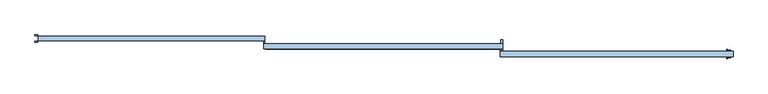
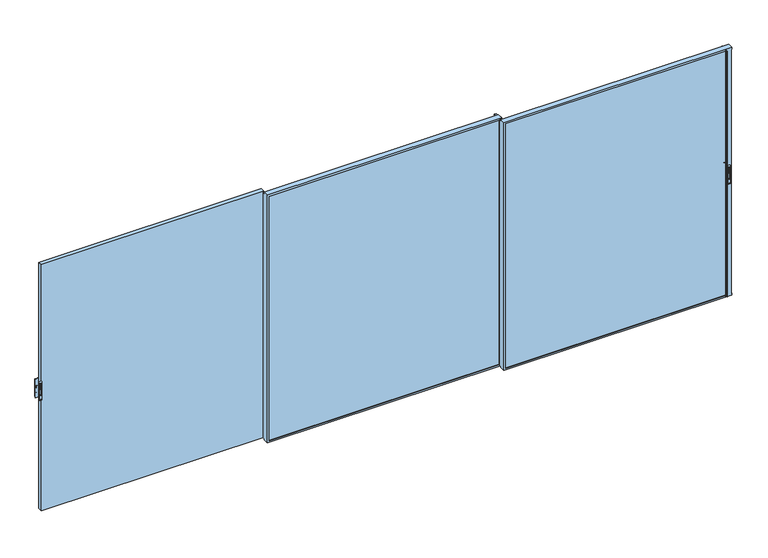
"""IFC4 building model written with IfcOpenShell, lengths in millimetres: window geometry."""

import ifcopenshell
import ifcopenshell.guid

model = None  # the IFC model being written
_history = None  # IfcOwnerHistory: only IFC2X3 demands one
_inside = {}  # id of a spatial element -> (the spatial element, [elements in it])
_under = {}  # id of a project, library or spatial element -> (it, [spatial elements below it])
_declared = {}  # id of a project -> (the project, [libraries it declares])
_typed = {}  # id of a type object -> (the type object, [elements of that type])
_made_of = {}  # id of a material, layer set ... -> (it, [elements and type objects made of it])


def new_model(schema):
    """Start an empty IFC model of exactly this schema.

    Asked for "IFC4X3", IfcOpenShell would pick the latest addendum, in which some entities
    have other attributes; the version numbers below select the first issue.
    IFC2X3 requires an IfcOwnerHistory on every rooted entity: one is made here for all.
    """
    global model, _history
    if schema == "IFC4X3":
        model = ifcopenshell.file(schema_version=(4, 3, 0, 0))
    else:
        model = ifcopenshell.file(schema=schema)
    _inside.clear()
    _under.clear()
    _declared.clear()
    _typed.clear()
    _made_of.clear()
    _history = None
    if model.schema == "IFC2X3":
        org = make("IfcOrganization", Name="unknown")
        user = make(
            "IfcPersonAndOrganization",
            ThePerson=make("IfcPerson", FamilyName="unknown"),
            TheOrganization=org,
        )
        app = make(
            "IfcApplication",
            ApplicationDeveloper=org,
            Version="unknown",
            ApplicationFullName="unknown",
            ApplicationIdentifier="unknown",
        )
        _history = make(
            "IfcOwnerHistory",
            OwningUser=user,
            OwningApplication=app,
            ChangeAction="ADDED",
            CreationDate=0,
        )
    return model


def make(cls, **values):
    """One entity of the class cls with the attributes given. An attribute that is None is left unset."""
    return model.create_entity(
        cls, **{name: value for name, value in values.items() if value is not None}
    )


def rooted(cls, **values):
    """An entity with a GlobalId (a new one), such as an element, a storey or a relation."""
    return make(cls, GlobalId=ifcopenshell.guid.new(), OwnerHistory=_history, **values)


def si_unit(unit_type, name, prefix=None):
    """IfcSIUnit, for example si_unit("LENGTHUNIT", "METRE", prefix="MILLI")."""
    return make("IfcSIUnit", UnitType=unit_type, Prefix=prefix, Name=name)


def assignment(units):
    """IfcUnitAssignment: the units of a project."""
    return None if units is None else make("IfcUnitAssignment", Units=units)


def point(xyz):
    """IfcCartesianPoint."""
    return None if xyz is None else make("IfcCartesianPoint", Coordinates=xyz)


def direction(xyz):
    """IfcDirection."""
    return None if xyz is None else make("IfcDirection", DirectionRatios=xyz)


def frame(location, z_axis=None, x_axis=None):
    """IfcAxis2Placement3D, a coordinate frame: its origin and axes. An axis left out is left unset."""
    return make(
        "IfcAxis2Placement3D",
        Location=point(location),
        Axis=direction(z_axis),
        RefDirection=direction(x_axis),
    )


def frame_2d(location, x_axis=None):
    """IfcAxis2Placement2D, a coordinate frame in the plane: its origin and x axis."""
    return make(
        "IfcAxis2Placement2D", Location=point(location), RefDirection=direction(x_axis)
    )


def origin():
    """The frame at (0, 0, 0) with its axes left unset."""
    return frame((0.0, 0.0, 0.0))


def place(relative_to, where):
    """IfcLocalPlacement: puts the frame where relative to a parent placement (None: the world)."""
    return make(
        "IfcLocalPlacement", PlacementRelTo=relative_to, RelativePlacement=where
    )


def context(
    kind, dimensions, precision=None, world=None, true_north=None, identifier=None
):
    """IfcGeometricRepresentationContext, for example the 3D "Model" context."""
    return make(
        "IfcGeometricRepresentationContext",
        ContextIdentifier=identifier,
        ContextType=kind,
        CoordinateSpaceDimension=dimensions,
        Precision=precision,
        WorldCoordinateSystem=world,
        TrueNorth=true_north,
    )


def project(units=None, contexts=None):
    """IfcProject with its units and contexts."""
    return rooted(
        "IfcProject",
        Name="project",
        RepresentationContexts=contexts,
        UnitsInContext=assignment(units),
    )


def spatial(cls, under=None, at=None, **own):
    """A site, building, storey or space (cls), placed at a placement, below another one or the project."""
    s = rooted(cls, ObjectPlacement=at, **own)
    if under is not None:
        _under.setdefault(under.id(), (under, []))[1].append(s)
    return s


def polyline(points):
    """IfcPolyline through the points."""
    return make("IfcPolyline", Points=[point(p) for p in points])


def circle_curve(where, radius):
    """IfcCircle in the frame where."""
    return make("IfcCircle", Position=where, Radius=radius)


def trimmed(basis, trim1, trim2, sense, master):
    """IfcTrimmedCurve: the piece of a basis curve between two trims."""
    return make(
        "IfcTrimmedCurve",
        BasisCurve=basis,
        Trim1=trim1,
        Trim2=trim2,
        SenseAgreement=sense,
        MasterRepresentation=master,
    )


def segment(curve, same_sense, transition):
    """IfcCompositeCurveSegment."""
    return make(
        "IfcCompositeCurveSegment",
        Transition=transition,
        SameSense=same_sense,
        ParentCurve=curve,
    )


def composite_curve(segments, self_intersect=None):
    """IfcCompositeCurve: segments joined end to end."""
    return make("IfcCompositeCurve", Segments=segments, SelfIntersect=self_intersect)


def outline(outer, holes=None, kind="AREA"):
    """IfcArbitraryClosedProfileDef: a profile drawn as a closed curve; with holes, ...WithVoids."""
    if holes is None:
        return make("IfcArbitraryClosedProfileDef", ProfileType=kind, OuterCurve=outer)
    return make(
        "IfcArbitraryProfileDefWithVoids",
        ProfileType=kind,
        OuterCurve=outer,
        InnerCurves=holes,
    )


def extrude(swept, where, along, depth):
    """IfcExtrudedAreaSolid: the profile swept, set in the frame where, extruded along a direction by depth."""
    return make(
        "IfcExtrudedAreaSolid",
        SweptArea=swept,
        Position=where,
        ExtrudedDirection=direction(along),
        Depth=depth,
    )


def faces_of(points, faces, orient=None, outer=None):
    """IfcFace entities. A face is a list of loops; a loop is a list of indices into points, from 0.

    orient and outer hold one flag for each loop. By default every Orientation is true, the
    first loop of a face is its IfcFaceOuterBound and the others are IfcFaceBound.
    """
    made = []
    for i, loops in enumerate(faces):
        bounds = []
        for j, loop in enumerate(loops):
            is_outer = j == 0 if outer is None else outer[i][j]
            bounds.append(
                make(
                    "IfcFaceOuterBound" if is_outer else "IfcFaceBound",
                    Bound=make("IfcPolyLoop", Polygon=[points[k] for k in loop]),
                    Orientation=True if orient is None else orient[i][j],
                )
            )
        made.append(make("IfcFace", Bounds=bounds))
    return made


def faceted_brep(points, faces, orient=None, outer=None, voids=None):
    """IfcFacetedBrep: a solid bounded by flat faces; with voids (closed shells), ...WithVoids."""
    shared = [point(p) for p in points]
    hull = make("IfcClosedShell", CfsFaces=faces_of(shared, faces, orient, outer))
    if voids is None:
        return make("IfcFacetedBrep", Outer=hull)
    return make(
        "IfcFacetedBrepWithVoids",
        Outer=hull,
        Voids=[
            make(cls, CfsFaces=faces_of(shared, fs, o, b)) for cls, fs, o, b in voids
        ],
    )


def shape(context_of_items, identifier, shape_type, items):
    """IfcShapeRepresentation: the items that make up one representation, for example the "Body"."""
    return make(
        "IfcShapeRepresentation",
        ContextOfItems=context_of_items,
        RepresentationIdentifier=identifier,
        RepresentationType=shape_type,
        Items=items,
    )


def source(mapping_origin, context_of_items, identifier, shape_type, items):
    """IfcRepresentationMap: a shape defined once, which mapped items show again and again."""
    return make(
        "IfcRepresentationMap",
        MappingOrigin=mapping_origin,
        MappedRepresentation=shape(context_of_items, identifier, shape_type, items),
    )


def transform(
    local_origin,
    x_axis=None,
    y_axis=None,
    z_axis=None,
    scale=None,
    scale2=None,
    scale3=None,
    uniform=True,
):
    """IfcCartesianTransformationOperator3D, or its non-uniform kind. x_axis, y_axis, z_axis: its Axis1, 2, 3."""
    if uniform:
        return make(
            "IfcCartesianTransformationOperator3D",
            Axis1=direction(x_axis),
            Axis2=direction(y_axis),
            LocalOrigin=point(local_origin),
            Scale=scale,
            Axis3=direction(z_axis),
        )
    return make(
        "IfcCartesianTransformationOperator3DnonUniform",
        Axis1=direction(x_axis),
        Axis2=direction(y_axis),
        LocalOrigin=point(local_origin),
        Scale=scale,
        Axis3=direction(z_axis),
        Scale2=scale2,
        Scale3=scale3,
    )


def mapped(mapping_source, mapping_target):
    """IfcMappedItem: shows the shape of a source again, moved by a transform."""
    return make(
        "IfcMappedItem", MappingSource=mapping_source, MappingTarget=mapping_target
    )


def made_of(thing, what):
    """Note that an element or type object is made of a material, layer set ...; save() writes the relation."""
    if what is not None:
        _made_of.setdefault(what.id(), (what, []))[1].append(thing)
    return thing


def element(
    cls,
    number,
    at=None,
    inside=None,
    cuts=None,
    type_object=None,
    material=None,
    context=None,
    identifier="Body",
    shape_type=None,
    held_by="IfcProductDefinitionShape",
    body=None,
    shapes=None,
    **own,
):
    """One element of the class cls, such as IfcWall. Its Tag is "e" and its number.

    at: its placement. inside: the storey or other place that contains it. cuts: it is an
    opening in that element (IfcRelVoidsElement). A single representation is given by context,
    identifier, shape_type and body (its items); several are given by shapes. held_by: the class
    of the entity that holds the representations. save() writes the other relations.
    """
    e = rooted(cls, Tag="e%d" % number, ObjectPlacement=at, **own)
    if body is not None:
        shapes = [shape(context, identifier, shape_type, body)]
    if shapes is not None:
        e.Representation = make(held_by, Representations=shapes)
    if inside is not None:
        _inside.setdefault(inside.id(), (inside, []))[1].append(e)
    if cuts is not None:
        rooted(
            "IfcRelVoidsElement", RelatingBuildingElement=cuts, RelatedOpeningElement=e
        )
    if type_object is not None:
        _typed.setdefault(type_object.id(), (type_object, []))[1].append(e)
    return made_of(e, material)


def aggregate(whole, parts):
    """IfcRelAggregates: a whole, such as a stair, and the parts it consists of."""
    return rooted("IfcRelAggregates", RelatingObject=whole, RelatedObjects=parts)


def save(model, path):
    """Write the relations noted so far, then the file.

    IfcRelAggregates (storeys below a building ...), IfcRelContainedInSpatialStructure (elements
    in a storey), IfcRelDefinesByType, IfcRelAssociatesMaterial and IfcRelDeclares: one each for
    every whole, place, type object, material and project.
    """
    for whole, parts in _under.values():
        aggregate(whole, parts)
    for where, things in _inside.values():
        rooted(
            "IfcRelContainedInSpatialStructure",
            RelatedElements=things,
            RelatingStructure=where,
        )
    for kind, things in _typed.values():
        rooted("IfcRelDefinesByType", RelatedObjects=things, RelatingType=kind)
    for what, things in _made_of.values():
        rooted("IfcRelAssociatesMaterial", RelatedObjects=things, RelatingMaterial=what)
    for by, libraries in _declared.values():
        rooted("IfcRelDeclares", RelatingContext=by, RelatedDefinitions=libraries)
    model.write(path)


def plane_surface(at):
    """IfcPlane: the flat surface through the origin of the frame at, square to its z axis."""
    return make("IfcPlane", Position=at)


def cylinder_surface(at, radius):
    """IfcCylindricalSurface: all points at the distance radius from the z axis of the frame at."""
    return make("IfcCylindricalSurface", Position=at, Radius=radius)


def revolved_surface(curve, axis_point, axis_direction):
    """IfcSurfaceOfRevolution: the curve turned about the line through axis_point along axis_direction."""
    return make(
        "IfcSurfaceOfRevolution",
        SweptCurve=make("IfcArbitraryOpenProfileDef", ProfileType="CURVE", Curve=curve),
        AxisPosition=make("IfcAxis1Placement", Location=point(axis_point), Axis=direction(axis_direction)),
    )


def advanced_brep(points, edges, surfaces, faces):
    """IfcAdvancedBrep: a solid bounded by faces that lie on surfaces and meet in shared edges.

    An edge is (start, end): straight between two places in points (the first is 0);
    or (start, end, curve); or (start, end, curve, False) where it runs against its curve.
    A face is (place in surfaces, loops), or (place, loops, False) where it looks against
    its surface's normal. A loop lists edges by number (the first is 1), with a minus sign
    where the edge is run from its end to its start. The first loop is the outer one.
    """
    corners = [point(p) for p in points]
    vertices = [make("IfcVertexPoint", VertexGeometry=c) for c in corners]
    made = []
    for start, end, *more in edges:
        made.append(
            make(
                "IfcEdgeCurve",
                EdgeStart=vertices[start],
                EdgeEnd=vertices[end],
                EdgeGeometry=more[0] if more else make("IfcPolyline", Points=[corners[start], corners[end]]),
                SameSense=more[1] if len(more) > 1 else True,
            )
        )
    hull = []
    for where, loops, *sense in faces:
        bounds = []
        for j, loop in enumerate(loops):
            ring = [make("IfcOrientedEdge", EdgeElement=made[abs(k) - 1], Orientation=k > 0) for k in loop]
            bounds.append(
                make(
                    "IfcFaceOuterBound" if j == 0 else "IfcFaceBound",
                    Bound=make("IfcEdgeLoop", EdgeList=ring),
                    Orientation=True,
                )
            )
        hull.append(make("IfcAdvancedFace", Bounds=bounds, FaceSurface=surfaces[where], SameSense=sense[0] if sense else True))
    return make("IfcAdvancedBrep", Outer=make("IfcClosedShell", CfsFaces=hull))


def window_45840592(model_context):
    return source(origin(), model_context, "Body", "SolidModel", [
        extrude(outline(composite_curve([segment(polyline([(-155.5, 2475.2189223), (-155.5, 2539.6559659)]), True, "CONTINUOUS"), segment(trimmed(circle_curve(frame_2d((-144.9370436, 2539.6559659)), 10.5629564), [point((-155.5, 2539.6559659))], [point((-144.9370436, 2550.2189223))], False, "CARTESIAN"), True, "CONTINUOUS"), segment(polyline([(-144.9370436, 2550.2189223), (-149.7185218, 2475.2189223), (-155.5, 2475.2189223)]), True, "CONTINUOUS")], self_intersect=False)), frame((6073.6495372, 0.0, 0.0), z_axis=(1.0, 0.0, 0.0), x_axis=(0.0, 1.0, 0.0)), (0.0, 0.0, 1.0), 14.8235768),
        advanced_brep(
        [(6099.0571491, -155.5, 2407.5), (6099.0571491, -143.5, 2390.0), (6099.0571491, -143.5, 2650.0), (6099.0571491, -155.5, 2632.5), (6063.1034585, -155.5, 2407.5), (6063.1034585, -155.5, 2632.5), (6063.1034585, -143.5, 2650.0), (6063.1034585, -143.5, 2390.0), (6072.2660736, -155.5, 2616.667345), (6089.8565776, -155.5, 2616.667345), (6089.8565776, -155.5, 2460.7687336), (6072.2660736, -155.5, 2460.7687336), (6089.8565776, -144.9370436, 2616.667345), (6072.2660736, -144.9370436, 2616.667345), (6072.2660736, -144.9370436, 2460.7687336), (6089.8565776, -144.9370436, 2460.7687336)],
        [
            (0, 1, circle_curve(frame((6099.0571491, -136.7395833, 2407.5), z_axis=(1.0, 0.0, 0.0), x_axis=(0.0, 0.0, -1.0)), 18.7604167)),
            (1, 2),
            (2, 3, circle_curve(frame((6099.0571491, -136.7395833, 2632.5), z_axis=(1.0, 0.0, 0.0), x_axis=(0.0, 0.0, -1.0)), 18.7604167)),
            (3, 0),
            (4, 5),
            (5, 6, circle_curve(frame((6063.1034585, -136.7395833, 2632.5), z_axis=(-1.0, 0.0, 0.0), x_axis=(0.0, 0.0, -1.0)), 18.7604167)),
            (6, 7),
            (7, 4, circle_curve(frame((6063.1034585, -136.7395833, 2407.5), z_axis=(-1.0, 0.0, 0.0), x_axis=(0.0, 0.0, -1.0)), 18.7604167)),
            (1, 7),
            (6, 2),
            (3, 5),
            (4, 0),
            (8, 9),
            (9, 10),
            (10, 11),
            (11, 8),
            (12, 13),
            (13, 14),
            (14, 15),
            (15, 12),
            (12, 9),
            (8, 13),
            (11, 14),
            (10, 15),
        ],
        [
            plane_surface(frame((6099.0571491, -136.7395833, 2388.7395833), z_axis=(1.0, 0.0, 0.0), x_axis=(0.0, 1.0, 0.0))),
            plane_surface(frame((6063.1034585, -136.7395833, 2388.7395833), z_axis=(-1.0, 0.0, 0.0), x_axis=(0.0, -1.0, 0.0))),
            plane_surface(frame((6099.0571491, -143.5, 2390.0), z_axis=(0.0, 1.0, 0.0), x_axis=(-1.0, 0.0, 0.0))),
            plane_surface(frame((6099.0571491, -155.5, 2632.5), z_axis=(0.0, -1.0, 0.0), x_axis=(-1.0, 0.0, 0.0))),
            plane_surface(frame((6072.2660736, -144.9370436, 2616.667345), z_axis=(0.0, -1.0, 0.0), x_axis=(1.0, 0.0, 0.0))),
            plane_surface(frame((6089.8565776, -155.5, 2616.667345), z_axis=(0.0, 0.0, -1.0), x_axis=(0.0, 1.0, 0.0))),
            plane_surface(frame((6072.2660736, -155.5, 2616.667345), z_axis=(1.0, 0.0, 0.0), x_axis=(0.0, 1.0, 0.0))),
            plane_surface(frame((6072.2660736, -155.5, 2460.7687336), z_axis=(0.0, 0.0, 1.0), x_axis=(0.0, 1.0, 0.0))),
            plane_surface(frame((6089.8565776, -155.5, 2460.7687336), z_axis=(-1.0, 0.0, 0.0), x_axis=(0.0, 1.0, 0.0))),
            cylinder_surface(frame((6063.1034585, -136.7395833, 2407.5), z_axis=(1.0, 0.0, 0.0), x_axis=(0.0, 0.0, -1.0)), 18.7604167),
            cylinder_surface(frame((6063.1034585, -136.7395833, 2632.5), z_axis=(1.0, 0.0, 0.0), x_axis=(0.0, 0.0, -1.0)), 18.7604167),
        ],
        [
            (0, [[1, 2, 3, 4]]),
            (1, [[5, 6, 7, 8]]),
            (2, [[-2, 9, -7, 10]]),
            (3, [[-4, 11, -5, 12], [13, 14, 15, 16]]),
            (4, [[17, 18, 19, 20]]),
            (5, [[-17, 21, -13, 22]]),
            (6, [[-18, -22, -16, 23]]),
            (7, [[-19, -23, -15, 24]]),
            (8, [[-20, -24, -14, -21]]),
            (9, [[-1, -12, -8, -9]]),
            (10, [[-3, -10, -6, -11]]),
        ],
    ),
        extrude(outline(composite_curve([segment(polyline([(-62.5, 2475.2189223), (-68.2814782, 2475.2189223), (-73.0629564, 2550.2189223)]), True, "CONTINUOUS"), segment(trimmed(circle_curve(frame_2d((-73.0629564, 2539.6559659)), 10.5629564), [point((-73.0629564, 2550.2189223))], [point((-62.5, 2539.6559659))], False, "CARTESIAN"), True, "CONTINUOUS"), segment(polyline([(-62.5, 2539.6559659), (-62.5, 2475.2189223)]), True, "CONTINUOUS")], self_intersect=False)), frame((6073.6874936, 0.0, 0.0), z_axis=(1.0, 0.0, 0.0), x_axis=(0.0, 1.0, 0.0)), (0.0, 0.0, 1.0), 14.8235768),
        advanced_brep(
        [(6063.1034585, -62.5, 2407.5), (6063.1034585, -74.5, 2390.0), (6063.1034585, -74.5, 2650.0), (6063.1034585, -62.5, 2632.5), (6099.0571491, -62.5, 2407.5), (6099.0571491, -62.5, 2632.5), (6099.0571491, -74.5, 2650.0), (6099.0571491, -74.5, 2390.0), (6089.894534, -62.5, 2616.667345), (6072.30403, -62.5, 2616.667345), (6072.30403, -62.5, 2460.7687336), (6089.894534, -62.5, 2460.7687336), (6072.30403, -73.0629564, 2616.667345), (6089.894534, -73.0629564, 2616.667345), (6089.894534, -73.0629564, 2460.7687336), (6072.30403, -73.0629564, 2460.7687336)],
        [
            (0, 1, circle_curve(frame((6063.1034585, -81.2604167, 2407.5), z_axis=(-1.0, 0.0, 0.0), x_axis=(0.0, 0.0, -1.0)), 18.7604167)),
            (1, 2),
            (2, 3, circle_curve(frame((6063.1034585, -81.2604167, 2632.5), z_axis=(-1.0, 0.0, 0.0), x_axis=(0.0, 0.0, -1.0)), 18.7604167)),
            (3, 0),
            (4, 5),
            (5, 6, circle_curve(frame((6099.0571491, -81.2604167, 2632.5), z_axis=(1.0, 0.0, 0.0), x_axis=(0.0, 0.0, -1.0)), 18.7604167)),
            (6, 7),
            (7, 4, circle_curve(frame((6099.0571491, -81.2604167, 2407.5), z_axis=(1.0, 0.0, 0.0), x_axis=(0.0, 0.0, -1.0)), 18.7604167)),
            (1, 7),
            (6, 2),
            (3, 5),
            (4, 0),
            (8, 9),
            (9, 10),
            (10, 11),
            (11, 8),
            (12, 13),
            (13, 14),
            (14, 15),
            (15, 12),
            (12, 9),
            (8, 13),
            (11, 14),
            (10, 15),
        ],
        [
            plane_surface(frame((6063.1034585, -81.2604167, 2388.7395833), z_axis=(-1.0, 0.0, 0.0), x_axis=(0.0, -1.0, 0.0))),
            plane_surface(frame((6099.0571491, -81.2604167, 2388.7395833), z_axis=(1.0, 0.0, 0.0), x_axis=(0.0, 1.0, 0.0))),
            plane_surface(frame((6063.1034585, -74.5, 2390.0), z_axis=(0.0, -1.0, 0.0), x_axis=(1.0, 0.0, 0.0))),
            plane_surface(frame((6063.1034585, -62.5, 2632.5), z_axis=(0.0, 1.0, 0.0), x_axis=(1.0, 0.0, 0.0))),
            plane_surface(frame((6089.894534, -73.0629564, 2616.667345), z_axis=(0.0, 1.0, 0.0), x_axis=(-1.0, 0.0, 0.0))),
            plane_surface(frame((6072.30403, -62.5, 2616.667345), z_axis=(0.0, 0.0, -1.0), x_axis=(0.0, -1.0, 0.0))),
            plane_surface(frame((6089.894534, -62.5, 2616.667345), z_axis=(-1.0, 0.0, 0.0), x_axis=(0.0, -1.0, 0.0))),
            plane_surface(frame((6089.894534, -62.5, 2460.7687336), z_axis=(0.0, 0.0, 1.0), x_axis=(0.0, -1.0, 0.0))),
            plane_surface(frame((6072.30403, -62.5, 2460.7687336), z_axis=(1.0, 0.0, 0.0), x_axis=(0.0, -1.0, 0.0))),
            cylinder_surface(frame((6099.0571491, -81.2604167, 2407.5), z_axis=(-1.0, 0.0, 0.0), x_axis=(0.0, 0.0, -1.0)), 18.7604167),
            cylinder_surface(frame((6099.0571491, -81.2604167, 2632.5), z_axis=(-1.0, 0.0, 0.0), x_axis=(0.0, 0.0, -1.0)), 18.7604167),
        ],
        [
            (0, [[1, 2, 3, 4]]),
            (1, [[5, 6, 7, 8]]),
            (2, [[-2, 9, -7, 10]]),
            (3, [[-4, 11, -5, 12], [13, 14, 15, 16]]),
            (4, [[17, 18, 19, 20]]),
            (5, [[-17, 21, -13, 22]]),
            (6, [[-18, -22, -16, 23]]),
            (7, [[-19, -23, -15, 24]]),
            (8, [[-20, -24, -14, -21]]),
            (9, [[-1, -12, -8, -9]]),
            (10, [[-3, -10, -6, -11]]),
        ],
    ),
        extrude(outline(composite_curve([segment(polyline([(40.5, 2475.2189223), (40.5, 2539.6559659)]), True, "CONTINUOUS"), segment(trimmed(circle_curve(frame_2d((51.0629564, 2539.6559659)), 10.5629564), [point((40.5, 2539.6559659))], [point((51.0629564, 2550.2189223))], False, "CARTESIAN"), True, "CONTINUOUS"), segment(polyline([(51.0629564, 2550.2189223), (46.2814782, 2475.2189223), (40.5, 2475.2189223)]), True, "CONTINUOUS")], self_intersect=False)), frame((-2768.5110704, 0.0, 0.0), z_axis=(1.0, 0.0, 0.0), x_axis=(0.0, 1.0, 0.0)), (0.0, 0.0, 1.0), 14.8235768),
        advanced_brep(
        [(-2743.1034585, 40.5, 2407.5), (-2743.1034585, 52.5, 2390.0), (-2743.1034585, 52.5, 2650.0), (-2743.1034585, 40.5, 2632.5), (-2779.0571491, 40.5, 2407.5), (-2779.0571491, 40.5, 2632.5), (-2779.0571491, 52.5, 2650.0), (-2779.0571491, 52.5, 2390.0), (-2769.894534, 40.5, 2616.667345), (-2752.30403, 40.5, 2616.667345), (-2752.30403, 40.5, 2460.7687336), (-2769.894534, 40.5, 2460.7687336), (-2752.30403, 51.0629564, 2616.667345), (-2769.894534, 51.0629564, 2616.667345), (-2769.894534, 51.0629564, 2460.7687336), (-2752.30403, 51.0629564, 2460.7687336)],
        [
            (0, 1, circle_curve(frame((-2743.1034585, 59.2604167, 2407.5), z_axis=(1.0, 0.0, 0.0), x_axis=(0.0, 0.0, -1.0)), 18.7604167)),
            (1, 2),
            (2, 3, circle_curve(frame((-2743.1034585, 59.2604167, 2632.5), z_axis=(1.0, 0.0, 0.0), x_axis=(0.0, 0.0, -1.0)), 18.7604167)),
            (3, 0),
            (4, 5),
            (5, 6, circle_curve(frame((-2779.0571491, 59.2604167, 2632.5), z_axis=(-1.0, 0.0, 0.0), x_axis=(0.0, 0.0, -1.0)), 18.7604167)),
            (6, 7),
            (7, 4, circle_curve(frame((-2779.0571491, 59.2604167, 2407.5), z_axis=(-1.0, 0.0, 0.0), x_axis=(0.0, 0.0, -1.0)), 18.7604167)),
            (1, 7),
            (6, 2),
            (3, 5),
            (4, 0),
            (8, 9),
            (9, 10),
            (10, 11),
            (11, 8),
            (12, 13),
            (13, 14),
            (14, 15),
            (15, 12),
            (12, 9),
            (8, 13),
            (11, 14),
            (10, 15),
        ],
        [
            plane_surface(frame((-2743.1034585, 59.2604167, 2388.7395833), z_axis=(1.0, 0.0, 0.0), x_axis=(0.0, 1.0, 0.0))),
            plane_surface(frame((-2779.0571491, 59.2604167, 2388.7395833), z_axis=(-1.0, 0.0, 0.0), x_axis=(0.0, -1.0, 0.0))),
            plane_surface(frame((-2743.1034585, 52.5, 2390.0), z_axis=(0.0, 1.0, 0.0), x_axis=(-1.0, 0.0, 0.0))),
            plane_surface(frame((-2743.1034585, 40.5, 2632.5), z_axis=(0.0, -1.0, 0.0), x_axis=(-1.0, 0.0, 0.0))),
            plane_surface(frame((-2769.894534, 51.0629564, 2616.667345), z_axis=(0.0, -1.0, 0.0), x_axis=(1.0, 0.0, 0.0))),
            plane_surface(frame((-2752.30403, 40.5, 2616.667345), z_axis=(0.0, 0.0, -1.0), x_axis=(0.0, 1.0, 0.0))),
            plane_surface(frame((-2769.894534, 40.5, 2616.667345), z_axis=(1.0, 0.0, 0.0), x_axis=(0.0, 1.0, 0.0))),
            plane_surface(frame((-2769.894534, 40.5, 2460.7687336), z_axis=(0.0, 0.0, 1.0), x_axis=(0.0, 1.0, 0.0))),
            plane_surface(frame((-2752.30403, 40.5, 2460.7687336), z_axis=(-1.0, 0.0, 0.0), x_axis=(0.0, 1.0, 0.0))),
            cylinder_surface(frame((-2779.0571491, 59.2604167, 2407.5), z_axis=(1.0, 0.0, 0.0), x_axis=(0.0, 0.0, -1.0)), 18.7604167),
            cylinder_surface(frame((-2779.0571491, 59.2604167, 2632.5), z_axis=(1.0, 0.0, 0.0), x_axis=(0.0, 0.0, -1.0)), 18.7604167),
        ],
        [
            (0, [[1, 2, 3, 4]]),
            (1, [[5, 6, 7, 8]]),
            (2, [[-2, 9, -7, 10]]),
            (3, [[-4, 11, -5, 12], [13, 14, 15, 16]]),
            (4, [[17, 18, 19, 20]]),
            (5, [[-17, 21, -13, 22]]),
            (6, [[-18, -22, -16, 23]]),
            (7, [[-19, -23, -15, 24]]),
            (8, [[-20, -24, -14, -21]]),
            (9, [[-1, -12, -8, -9]]),
            (10, [[-3, -10, -6, -11]]),
        ],
    ),
        extrude(outline(composite_curve([segment(polyline([(133.5, 2475.2189223), (127.7185218, 2475.2189223), (122.9370436, 2550.2189223)]), True, "CONTINUOUS"), segment(trimmed(circle_curve(frame_2d((122.9370436, 2539.6559659)), 10.5629564), [point((122.9370436, 2550.2189223))], [point((133.5, 2539.6559659))], False, "CARTESIAN"), True, "CONTINUOUS"), segment(polyline([(133.5, 2539.6559659), (133.5, 2475.2189223)]), True, "CONTINUOUS")], self_intersect=False)), frame((-2768.473114, 0.0, 0.0), z_axis=(1.0, 0.0, 0.0), x_axis=(0.0, 1.0, 0.0)), (0.0, 0.0, 1.0), 14.8235768),
        advanced_brep(
        [(-2779.0571491, 133.5, 2407.5), (-2779.0571491, 121.5, 2390.0), (-2779.0571491, 121.5, 2650.0), (-2779.0571491, 133.5, 2632.5), (-2743.1034585, 133.5, 2407.5), (-2743.1034585, 133.5, 2632.5), (-2743.1034585, 121.5, 2650.0), (-2743.1034585, 121.5, 2390.0), (-2752.2660736, 133.5, 2616.667345), (-2769.8565776, 133.5, 2616.667345), (-2769.8565776, 133.5, 2460.7687336), (-2752.2660736, 133.5, 2460.7687336), (-2769.8565776, 122.9370436, 2616.667345), (-2752.2660736, 122.9370436, 2616.667345), (-2752.2660736, 122.9370436, 2460.7687336), (-2769.8565776, 122.9370436, 2460.7687336)],
        [
            (0, 1, circle_curve(frame((-2779.0571491, 114.7395833, 2407.5), z_axis=(-1.0, 0.0, 0.0), x_axis=(0.0, 0.0, -1.0)), 18.7604167)),
            (1, 2),
            (2, 3, circle_curve(frame((-2779.0571491, 114.7395833, 2632.5), z_axis=(-1.0, 0.0, 0.0), x_axis=(0.0, 0.0, -1.0)), 18.7604167)),
            (3, 0),
            (4, 5),
            (5, 6, circle_curve(frame((-2743.1034585, 114.7395833, 2632.5), z_axis=(1.0, 0.0, 0.0), x_axis=(0.0, 0.0, -1.0)), 18.7604167)),
            (6, 7),
            (7, 4, circle_curve(frame((-2743.1034585, 114.7395833, 2407.5), z_axis=(1.0, 0.0, 0.0), x_axis=(0.0, 0.0, -1.0)), 18.7604167)),
            (1, 7),
            (6, 2),
            (3, 5),
            (4, 0),
            (8, 9),
            (9, 10),
            (10, 11),
            (11, 8),
            (12, 13),
            (13, 14),
            (14, 15),
            (15, 12),
            (12, 9),
            (8, 13),
            (11, 14),
            (10, 15),
        ],
        [
            plane_surface(frame((-2779.0571491, 114.7395833, 2388.7395833), z_axis=(-1.0, 0.0, 0.0), x_axis=(0.0, -1.0, 0.0))),
            plane_surface(frame((-2743.1034585, 114.7395833, 2388.7395833), z_axis=(1.0, 0.0, 0.0), x_axis=(0.0, 1.0, 0.0))),
            plane_surface(frame((-2779.0571491, 121.5, 2390.0), z_axis=(0.0, -1.0, 0.0), x_axis=(1.0, 0.0, 0.0))),
            plane_surface(frame((-2779.0571491, 133.5, 2632.5), z_axis=(0.0, 1.0, 0.0), x_axis=(1.0, 0.0, 0.0))),
            plane_surface(frame((-2752.2660736, 122.9370436, 2616.667345), z_axis=(0.0, 1.0, 0.0), x_axis=(-1.0, 0.0, 0.0))),
            plane_surface(frame((-2769.8565776, 133.5, 2616.667345), z_axis=(0.0, 0.0, -1.0), x_axis=(0.0, -1.0, 0.0))),
            plane_surface(frame((-2752.2660736, 133.5, 2616.667345), z_axis=(-1.0, 0.0, 0.0), x_axis=(0.0, -1.0, 0.0))),
            plane_surface(frame((-2752.2660736, 133.5, 2460.7687336), z_axis=(0.0, 0.0, 1.0), x_axis=(0.0, -1.0, 0.0))),
            plane_surface(frame((-2769.8565776, 133.5, 2460.7687336), z_axis=(1.0, 0.0, 0.0), x_axis=(0.0, -1.0, 0.0))),
            cylinder_surface(frame((-2743.1034585, 114.7395833, 2407.5), z_axis=(-1.0, 0.0, 0.0), x_axis=(0.0, 0.0, -1.0)), 18.7604167),
            cylinder_surface(frame((-2743.1034585, 114.7395833, 2632.5), z_axis=(-1.0, 0.0, 0.0), x_axis=(0.0, 0.0, -1.0)), 18.7604167),
        ],
        [
            (0, [[1, 2, 3, 4]]),
            (1, [[5, 6, 7, 8]]),
            (2, [[-2, 9, -7, 10]]),
            (3, [[-4, 11, -5, 12], [13, 14, 15, 16]]),
            (4, [[17, 18, 19, 20]]),
            (5, [[-17, 21, -13, 22]]),
            (6, [[-18, -22, -16, 23]]),
            (7, [[-19, -23, -15, 24]]),
            (8, [[-20, -24, -14, -21]]),
            (9, [[-1, -12, -8, -9]]),
            (10, [[-3, -10, -6, -11]]),
        ],
    ),
        extrude(outline(polyline([(-2738.5, 114.0), (153.0, 114.0), (153.0, 60.0), (-2738.5, 60.0), (-2738.5, 114.0)])), frame((0.0, 0.0, 857.0), z_axis=(0.0, 0.0, 1.0), x_axis=(1.0, 0.0, 0.0)), (0.0, 0.0, 1.0), 3386.0),
        extrude(outline(polyline([(153.0, 16.0), (3173.0, 16.0), (3173.0, -38.0), (153.0, -38.0), (153.0, 16.0)])), frame((0.0, 0.0, 857.0), z_axis=(0.0, 0.0, 1.0), x_axis=(1.0, 0.0, 0.0)), (0.0, 0.0, 1.0), 3386.0),
        extrude(outline(polyline([(6058.5, -136.0), (3173.0, -136.0), (3173.0, -82.0), (6058.5, -82.0), (6058.5, -136.0)])), frame((0.0, 0.0, 857.0), z_axis=(0.0, 0.0, 1.0), x_axis=(1.0, 0.0, 0.0)), (0.0, 0.0, 1.0), 3386.0),
        advanced_brep(
        [(3160.0, -74.5, 845.5), (3160.0, -143.5, 845.5), (3160.0, -143.5, 4258.0), (3160.0, -74.5, 4258.0), (3160.0, -74.5, 4243.0), (3160.0, -48.6969017, 4243.0), (3160.0, -48.6969017, 857.0), (3160.0, -74.5, 857.0), (6127.0, -74.5, 845.5), (6127.0, -143.5, 845.5), (6127.0, -143.5, 869.0), (6115.5, -143.5, 869.0), (6115.5, -143.5, 4231.5), (6127.0, -143.5, 4231.5), (6127.0, -143.5, 4258.0), (3185.0, -143.5, 869.0), (3185.0, -143.5, 4231.5), (6044.5, -143.5, 4231.5), (6044.5, -143.5, 869.0), (6046.4810829, -143.5, 4239.9999325), (6051.8626434, -143.5, 4239.9999325), (6051.8626434, -143.5, 860.0000675), (6046.4810829, -143.5, 860.0000675), (3171.6, -48.6969017, 4243.0), (3171.6, -48.6969017, 857.0), (3171.6, -74.5, 857.0), (6127.0, -74.5, 869.0), (3171.6, -74.5, 869.0), (6044.5, -74.5, 869.0), (6044.5, -74.5, 4231.5), (3171.6, -74.5, 4231.5), (3171.6, -74.5, 4243.0), (6127.0, -74.5, 4258.0), (6127.0, -74.5, 4231.5), (6115.5, -74.5, 4231.5), (6115.5, -74.5, 869.0), (6051.8626434, -74.5, 4239.9999325), (6046.4810829, -74.5, 4239.9999325), (6046.4810829, -74.5, 860.0000675), (6051.8626434, -74.5, 860.0000675), (6127.0, -82.2, 869.0), (6127.0, -82.2, 860.0000675), (6127.0, -136.0, 860.0000675), (6127.0, -136.0, 869.0), (6115.5, -82.2, 869.0), (6115.5, -82.2, 860.0000675), (6058.4810829, -82.2, 869.0), (3186.0, -82.2, 869.0), (3186.0, -82.2, 4231.5), (6058.4810829, -82.2, 4231.5), (6058.4810829, -82.2, 4239.9999325), (3168.0, -82.2, 4239.9999325), (3168.0, -82.2, 860.0000675), (6058.4810829, -82.2, 860.0000675), (6127.0, -82.2, 4231.5), (6127.0, -82.2, 4239.9999325), (6115.5, -82.2, 4239.9999325), (6115.5, -82.2, 4231.5), (6115.5, -136.0, 860.0000675), (3168.0, -136.0, 860.0000675), (6058.4810829, -136.0, 860.0000675), (6115.5, -136.0, 869.0), (3168.0, -136.0, 869.0), (6044.5, -136.0, 869.0), (6044.5, -136.0, 4239.9999325), (6058.4810829, -136.0, 4239.9999325), (3185.0, -136.2, 869.0), (3168.0, -136.2, 869.0), (3186.0, -74.7, 869.0), (6058.4810829, -82.0, 869.0), (6044.5, -82.0, 869.0), (3171.6, -74.7, 869.0), (6115.5, -136.2, 4239.9999325), (6115.5, -136.2, 4231.5), (3186.0, -74.7, 4231.5), (6058.4810829, -82.0, 4231.5), (6044.5, -82.0, 4231.5), (3171.6, -74.7, 4231.5), (6044.6121686, -67.9823214, 4239.9999325), (6044.6121686, -67.9823214, 860.0000675), (6044.6121686, -65.425501, 860.0000675), (6049.2647392, -50.2076283, 860.0000675), (6050.221044, -49.5, 860.0000675), (6052.9810829, -49.5, 860.0000675), (6053.4558651, -50.1567861, 860.0000675), (6047.7207139, -65.5669635, 860.0000675), (6047.6075139, -67.5444659, 860.0000675), (6048.9788583, -72.3269121, 860.0000675), (6048.9788583, -145.6730879, 860.0000675), (6047.6075139, -150.4555341, 860.0000675), (6047.7207139, -152.4330365, 860.0000675), (6053.4558651, -167.8432139, 860.0000675), (6052.9810829, -168.5, 860.0000675), (6050.221044, -168.5, 860.0000675), (6049.2647392, -167.7923717, 860.0000675), (6044.6121686, -152.574499, 860.0000675), (6044.6121686, -150.0176786, 860.0000675), (6048.9788583, -72.3269121, 4239.9999325), (3185.0, -136.2, 4231.5), (6044.5, -136.2, 4231.5), (6044.5, -136.2, 4239.9999325), (6048.9788583, -145.6730879, 4239.9999325), (6044.6121686, -150.0176786, 4239.9999325), (3168.0, -136.2, 4239.9999325), (6127.0, -136.2, 4239.9999325), (6127.0, -136.2, 4231.5), (6047.6075139, -150.4555341, 4239.9999325), (6047.7207139, -152.4330365, 4239.9999325), (6053.4558651, -167.8432139, 4239.9999325), (6052.9810829, -168.5, 4239.9999325), (6050.221044, -168.5, 4239.9999325), (6049.2647392, -167.7923717, 4239.9999325), (6044.6121686, -152.574499, 4239.9999325), (6044.6121686, -65.425501, 4239.9999325), (6049.2647392, -50.2076283, 4239.9999325), (6050.221044, -49.5, 4239.9999325), (6052.9810829, -49.5, 4239.9999325), (6053.4558651, -50.1567861, 4239.9999325), (6047.7207139, -65.5669635, 4239.9999325), (6047.6075139, -67.5444659, 4239.9999325)],
        [
            (0, 1),
            (1, 2),
            (2, 3),
            (3, 4),
            (4, 5),
            (5, 6),
            (6, 7),
            (7, 0),
            (0, 8),
            (8, 9),
            (9, 1),
            (9, 10),
            (10, 11),
            (11, 12),
            (12, 13),
            (13, 14),
            (14, 2),
            (15, 16),
            (16, 17),
            (17, 18),
            (18, 15),
            (19, 20),
            (20, 21),
            (21, 22),
            (22, 19),
            (5, 23),
            (23, 24),
            (24, 6),
            (24, 25),
            (25, 7),
            (26, 8),
            (25, 27),
            (27, 28),
            (28, 29),
            (29, 30),
            (30, 31),
            (31, 4),
            (3, 32),
            (32, 33),
            (33, 34),
            (34, 35),
            (35, 26),
            (36, 37),
            (37, 38),
            (38, 39),
            (39, 36),
            (40, 41),
            (41, 42),
            (42, 43),
            (43, 10),
            (26, 40),
            (40, 44),
            (44, 45),
            (45, 41),
            (46, 47),
            (47, 48),
            (48, 49),
            (49, 50),
            (50, 51),
            (51, 52),
            (52, 53),
            (53, 46),
            (54, 55),
            (55, 56),
            (56, 57),
            (57, 54),
            (45, 58),
            (58, 42),
            (52, 59),
            (59, 60),
            (60, 53),
            (58, 61),
            (61, 43),
            (59, 62),
            (62, 63),
            (63, 64),
            (64, 65),
            (65, 60),
            (61, 11),
            (66, 15),
            (18, 63),
            (62, 67),
            (67, 66),
            (35, 44),
            (68, 47),
            (46, 69),
            (69, 70),
            (70, 28),
            (27, 71),
            (71, 68),
            (34, 57),
            (56, 72),
            (72, 73),
            (73, 12),
            (68, 74),
            (74, 48),
            (65, 50),
            (49, 75),
            (75, 69),
            (75, 76),
            (76, 70),
            (76, 29),
            (23, 31),
            (30, 77),
            (77, 71),
            (77, 74),
            (37, 78),
            (78, 79),
            (79, 38),
            (79, 80, circle_curve(frame((6049.0705149, -66.7039112, 860.0000675), z_axis=(0.0, 0.0, -1.0), x_axis=(0.0, -1.0, 0.0)), 4.638015)),
            (80, 81),
            (81, 82, circle_curve(frame((6050.221044, -50.5, 860.0000675), z_axis=(0.0, 0.0, -1.0), x_axis=(0.0, -1.0, 0.0)), 1.0)),
            (82, 83),
            (83, 84, circle_curve(frame((6052.9810829, -50.0, 860.0000675), z_axis=(0.0, 0.0, -1.0), x_axis=(0.0, -1.0, 0.0)), 0.5)),
            (84, 85, circle_curve(frame((5844.2879244, 18.9162025, 860.0000675), z_axis=(0.0, 0.0, -1.0), x_axis=(0.0, -1.0, 0.0)), 220.2777909)),
            (85, 86, circle_curve(frame((6050.491299, -66.7175538, 860.0000675), z_axis=(0.0, 0.0, 1.0), x_axis=(0.0, -1.0, 0.0)), 3.0)),
            (86, 87),
            (87, 39, circle_curve(frame((6051.8626434, -71.5, 860.0000675), z_axis=(0.0, 0.0, 1.0), x_axis=(0.0, -1.0, 0.0)), 3.0)),
            (21, 88, circle_curve(frame((6051.8626434, -146.5, 860.0000675), z_axis=(0.0, 0.0, 1.0), x_axis=(0.0, -1.0, 0.0)), 3.0)),
            (88, 89),
            (89, 90, circle_curve(frame((6050.491299, -151.2824462, 860.0000675), z_axis=(0.0, 0.0, 1.0), x_axis=(0.0, -1.0, 0.0)), 3.0)),
            (90, 91, circle_curve(frame((5844.2879244, -236.9162025, 860.0000675), z_axis=(0.0, 0.0, -1.0), x_axis=(0.0, -1.0, 0.0)), 220.2777909)),
            (91, 92, circle_curve(frame((6052.9810829, -168.0, 860.0000675), z_axis=(0.0, 0.0, -1.0), x_axis=(0.0, -1.0, 0.0)), 0.5)),
            (92, 93),
            (93, 94, circle_curve(frame((6050.221044, -167.5, 860.0000675), z_axis=(0.0, 0.0, -1.0), x_axis=(0.0, -1.0, 0.0)), 1.0)),
            (94, 95),
            (95, 96, circle_curve(frame((6049.0705149, -151.2960888, 860.0000675), z_axis=(0.0, 0.0, -1.0), x_axis=(0.0, -1.0, 0.0)), 4.638015)),
            (96, 22),
            (97, 36, circle_curve(frame((6051.8626434, -71.5, 4239.9999325), z_axis=(0.0, 0.0, 1.0), x_axis=(0.0, -1.0, 0.0)), 3.0)),
            (87, 97),
            (66, 98),
            (98, 16),
            (17, 99),
            (99, 100),
            (100, 64),
            (20, 101, circle_curve(frame((6051.8626434, -146.5, 4239.9999325), z_axis=(0.0, 0.0, 1.0), x_axis=(0.0, -1.0, 0.0)), 3.0)),
            (101, 88),
            (102, 19),
            (96, 102),
            (103, 67),
            (51, 103),
            (103, 100),
            (99, 98),
            (104, 105),
            (105, 73),
            (72, 104),
            (101, 106),
            (106, 89),
            (106, 107, circle_curve(frame((6050.491299, -151.2824462, 4239.9999325), z_axis=(0.0, 0.0, 1.0), x_axis=(0.0, -1.0, 0.0)), 3.0)),
            (107, 90),
            (107, 108, circle_curve(frame((5844.2879244, -236.9162025, 4239.9999325), z_axis=(0.0, 0.0, -1.0), x_axis=(0.0, -1.0, 0.0)), 220.2777909)),
            (108, 91),
            (108, 109, circle_curve(frame((6052.9810829, -168.0, 4239.9999325), z_axis=(0.0, 0.0, -1.0), x_axis=(0.0, -1.0, 0.0)), 0.5)),
            (109, 92),
            (109, 110),
            (110, 93),
            (110, 111, circle_curve(frame((6050.221044, -167.5, 4239.9999325), z_axis=(0.0, 0.0, -1.0), x_axis=(0.0, -1.0, 0.0)), 1.0)),
            (111, 94),
            (111, 112),
            (112, 95),
            (112, 102, circle_curve(frame((6049.0705149, -151.2960888, 4239.9999325), z_axis=(0.0, 0.0, -1.0), x_axis=(0.0, -1.0, 0.0)), 4.638015)),
            (78, 113, circle_curve(frame((6049.0705149, -66.7039112, 4239.9999325), z_axis=(0.0, 0.0, -1.0), x_axis=(0.0, -1.0, 0.0)), 4.638015)),
            (113, 80),
            (113, 114),
            (114, 81),
            (114, 115, circle_curve(frame((6050.221044, -50.5, 4239.9999325), z_axis=(0.0, 0.0, -1.0), x_axis=(0.0, -1.0, 0.0)), 1.0)),
            (115, 82),
            (115, 116),
            (116, 83),
            (116, 117, circle_curve(frame((6052.9810829, -50.0, 4239.9999325), z_axis=(0.0, 0.0, -1.0), x_axis=(0.0, -1.0, 0.0)), 0.5)),
            (117, 84),
            (117, 118, circle_curve(frame((5844.2879244, 18.9162025, 4239.9999325), z_axis=(0.0, 0.0, -1.0), x_axis=(0.0, -1.0, 0.0)), 220.2777909)),
            (118, 85),
            (118, 119, circle_curve(frame((6050.491299, -66.7175538, 4239.9999325), z_axis=(0.0, 0.0, 1.0), x_axis=(0.0, -1.0, 0.0)), 3.0)),
            (119, 86),
            (119, 97),
            (14, 32),
            (33, 54),
            (13, 105),
            (104, 55),
        ],
        [
            plane_surface(frame((3160.0, -74.5, 869.0), z_axis=(-1.0, 0.0, 0.0), x_axis=(0.0, 1.0, 0.0))),
            plane_surface(frame((3160.0, -74.5, 845.5), z_axis=(0.0, 0.0, -1.0), x_axis=(1.0, 0.0, 0.0))),
            plane_surface(frame((3160.0, -143.5, 845.5), z_axis=(0.0, -1.0, 0.0), x_axis=(1.0, 0.0, 0.0))),
            plane_surface(frame((3171.6, -48.6969017, 4243.0), z_axis=(0.0, 1.0, 0.0), x_axis=(0.0, 0.0, -1.0))),
            plane_surface(frame((3160.0, -143.5, 857.0), z_axis=(0.0, 0.0, -1.0), x_axis=(0.0, 1.0, 0.0))),
            plane_surface(frame((3160.0, -74.5, 869.0), z_axis=(0.0, 1.0, 0.0), x_axis=(1.0, 0.0, 0.0))),
            plane_surface(frame((6127.0, -74.5, 869.0), z_axis=(1.0, 0.0, 0.0), x_axis=(0.0, -1.0, 0.0))),
            plane_surface(frame((3160.0, -82.2, 860.0000675), z_axis=(0.0, -1.0, 0.0), x_axis=(1.0, 0.0, 0.0))),
            plane_surface(frame((3160.0, -136.0, 860.0000675), z_axis=(0.0, 0.0, 1.0), x_axis=(1.0, 0.0, 0.0))),
            plane_surface(frame((3160.0, -136.0, 869.0), z_axis=(0.0, 1.0, 0.0), x_axis=(1.0, 0.0, 0.0))),
            plane_surface(frame((3160.0, -143.5, 869.0), z_axis=(0.0, 0.0, 1.0), x_axis=(1.0, 0.0, 0.0))),
            plane_surface(frame((3160.0, -82.2, 869.0), z_axis=(0.0, 0.0, 1.0), x_axis=(1.0, 0.0, 0.0))),
            plane_surface(frame((6115.5, -143.5, 4239.9999325), z_axis=(1.0, 0.0, 0.0), x_axis=(0.0, 0.0, -1.0))),
            plane_surface(frame((3186.0, -82.2, 4243.0), z_axis=(1.0, 0.0, 0.0), x_axis=(0.0, 0.0, -1.0))),
            plane_surface(frame((6058.4810829, -82.0, 4239.9999325), z_axis=(-1.0, 0.0, 0.0), x_axis=(0.0, 0.0, -1.0))),
            plane_surface(frame((6044.5, -82.0, 4239.9999325), z_axis=(0.0, -1.0, 0.0), x_axis=(0.0, 0.0, -1.0))),
            plane_surface(frame((6044.5, -74.5, 4239.9999325), z_axis=(-1.0, 0.0, 0.0), x_axis=(0.0, 0.0, -1.0))),
            plane_surface(frame((3171.6, -74.7, 4243.0), z_axis=(1.0, 0.0, 0.0), x_axis=(0.0, 0.0, -1.0))),
            plane_surface(frame((3186.0, -74.7, 4243.0), z_axis=(0.0, 1.0, 0.0), x_axis=(0.0, 0.0, -1.0))),
            plane_surface(frame((6044.6121686, -67.9823214, 4239.9999325), z_axis=(-0.9612616959381606, -0.27563735581755144, 0.0), x_axis=(0.0, 0.0, -1.0))),
            plane_surface(frame((6044.5, 100.0, 860.0000675), z_axis=(0.0, 0.0, -1.0), x_axis=(0.0, -1.0, 0.0))),
            revolved_surface(polyline([(6051.8626434, -74.5, 860.0000675000001), (6051.8626434, -74.5, 4239.9999325)]), (6051.8626434, -71.5, 4239.9999325), (0.0, 0.0, -1.0)),
            plane_surface(frame((3185.0, -143.5, 4243.0), z_axis=(1.0, 0.0, 0.0), x_axis=(0.0, 0.0, -1.0))),
            plane_surface(frame((6044.5, -136.0, 4239.9999325), z_axis=(-1.0, 0.0, 0.0), x_axis=(0.0, 0.0, -1.0))),
            revolved_surface(polyline([(6051.8626434, -149.5, 860.0000675000001), (6051.8626434, -149.5, 4239.9999325)]), (6051.8626434, -146.5, 4239.9999325), (0.0, 0.0, -1.0)),
            plane_surface(frame((6046.4810829, -143.5, 4239.9999325), z_axis=(-0.9612616959394766, 0.2756373558129617, 0.0), x_axis=(0.0, 0.0, -1.0))),
            plane_surface(frame((3168.0, -136.2, 4243.0), z_axis=(1.0, 0.0, 0.0), x_axis=(0.0, 0.0, -1.0))),
            plane_surface(frame((3185.0, -136.2, 4243.0), z_axis=(0.0, 1.0, 0.0), x_axis=(0.0, 0.0, -1.0))),
            plane_surface(frame((6047.6075139, -150.4555341, 4239.9999325), z_axis=(0.9612616959476021, -0.2756373557846248, 0.0), x_axis=(0.0, 0.0, -1.0))),
            revolved_surface(polyline([(6050.491299, -154.2824462, 860.0000675000001), (6050.491299, -154.2824462, 4239.9999325)]), (6050.491299, -151.2824462, 4239.9999325), (0.0, 0.0, -1.0)),
            cylinder_surface(frame((5844.2879244, -236.9162025, 4239.9999325), z_axis=(0.0, 0.0, 1.0), x_axis=(0.0, -1.0, 0.0)), 220.2777909),
            cylinder_surface(frame((6052.9810829, -168.0, 4239.9999325), z_axis=(0.0, 0.0, 1.0), x_axis=(0.0, -1.0, 0.0)), 0.5),
            plane_surface(frame((6050.221044, -168.5, 4239.9999325), z_axis=(0.0, -1.0, 0.0), x_axis=(0.0, 0.0, -1.0))),
            cylinder_surface(frame((6050.221044, -167.5, 4239.9999325), z_axis=(0.0, 0.0, 1.0), x_axis=(0.0, -1.0, 0.0)), 1.0),
            plane_surface(frame((6044.6121686, -152.574499, 4239.9999325), z_axis=(-0.9563047559641739, -0.2923717047190133, 0.0), x_axis=(0.0, 0.0, -1.0))),
            cylinder_surface(frame((6049.0705149, -151.2960888, 4239.9999325), z_axis=(0.0, 0.0, 1.0), x_axis=(0.0, -1.0, 0.0)), 4.638015),
            cylinder_surface(frame((6049.0705149, -66.7039112, 4239.9999325), z_axis=(0.0, 0.0, 1.0), x_axis=(0.0, -1.0, 0.0)), 4.638015),
            plane_surface(frame((6049.2647392, -50.2076283, 4239.9999325), z_axis=(-0.9563047559639337, 0.29237170471979895, 0.0), x_axis=(0.0, 0.0, -1.0))),
            cylinder_surface(frame((6050.221044, -50.5, 4239.9999325), z_axis=(0.0, 0.0, 1.0), x_axis=(0.0, -1.0, 0.0)), 1.0),
            plane_surface(frame((6052.9810829, -49.5, 4239.9999325), z_axis=(0.0, 1.0, 0.0), x_axis=(0.0, 0.0, -1.0))),
            cylinder_surface(frame((6052.9810829, -50.0, 4239.9999325), z_axis=(0.0, 0.0, 1.0), x_axis=(0.0, -1.0, 0.0)), 0.5),
            cylinder_surface(frame((5844.2879244, 18.9162025, 4239.9999325), z_axis=(0.0, 0.0, 1.0), x_axis=(0.0, -1.0, 0.0)), 220.2777909),
            revolved_surface(polyline([(6050.491299, -69.7175538, 860.0000675000001), (6050.491299, -69.7175538, 4239.9999325)]), (6050.491299, -66.7175538, 4239.9999325), (0.0, 0.0, -1.0)),
            plane_surface(frame((6048.9788583, -72.3269121, 4239.9999325), z_axis=(0.9612616959384477, 0.27563735581655013, 0.0), x_axis=(0.0, 0.0, -1.0))),
            plane_surface(frame((3160.0, -143.5, 4258.0), z_axis=(0.0, 0.0, 1.0), x_axis=(1.0, 0.0, 0.0))),
            plane_surface(frame((3160.0, -143.5, 4243.0), z_axis=(0.0, 0.0, 1.0), x_axis=(0.0, -1.0, 0.0))),
            plane_surface(frame((3160.0, -74.5, 4231.5), z_axis=(0.0, 0.0, -1.0), x_axis=(1.0, 0.0, 0.0))),
            plane_surface(frame((6127.0, -82.2, 4231.5), z_axis=(1.0, 0.0, 0.0), x_axis=(0.0, 0.0, -1.0))),
            plane_surface(frame((6044.5, 100.0, 4239.9999325), z_axis=(0.0, 0.0, 1.0), x_axis=(0.0, -1.0, 0.0))),
            plane_surface(frame((3160.0, -136.2, 4231.5), z_axis=(0.0, 0.0, -1.0), x_axis=(1.0, 0.0, 0.0))),
            plane_surface(frame((3160.0, -82.2, 4239.9999325), z_axis=(0.0, 0.0, -1.0), x_axis=(1.0, 0.0, 0.0))),
        ],
        [
            (0, [[1, 2, 3, 4, 5, 6, 7, 8]]),
            (1, [[-1, 9, 10, 11]]),
            (2, [[12, 13, 14, 15, 16, 17, -2, -11], [18, 19, 20, 21], [22, 23, 24, 25]]),
            (3, [[26, 27, 28, -6]]),
            (4, [[-28, 29, 30, -7]]),
            (5, [[31, -9, -8, -30, 32, 33, 34, 35, 36, 37, -4, 38, 39, 40, 41, 42], [43, 44, 45, 46]]),
            (6, [[47, 48, 49, 50, -12, -10, -31, 51]]),
            (7, [[-47, 52, 53, 54]]),
            (7, [[55, 56, 57, 58, 59, 60, 61, 62]]),
            (7, [[63, 64, 65, 66]]),
            (8, [[-48, -54, 67, 68]]),
            (8, [[69, 70, 71, -61]]),
            (9, [[-49, -68, 72, 73]]),
            (9, [[74, 75, 76, 77, 78, -70]]),
            (10, [[-50, -73, 79, -13]]),
            (10, [[80, -21, 81, -75, 82, 83]]),
            (11, [[-51, -42, 84, -52]]),
            (11, [[85, -55, 86, 87, 88, -33, 89, 90]]),
            (12, [[-84, -41, 91, -65, 92, 93, 94, -14, -79, -72, -67, -53]]),
            (13, [[-85, 95, 96, -56]]),
            (14, [[-86, -62, -71, -78, 97, -58, 98, 99]]),
            (15, [[-87, -99, 100, 101]]),
            (16, [[-88, -101, 102, -34]]),
            (17, [[-27, 103, -36, 104, 105, -89, -32, -29]]),
            (18, [[-90, -105, 106, -95]]),
            (19, [[-44, 107, 108, 109]]),
            (20, [[-109, 110, 111, 112, 113, 114, 115, 116, 117, 118, -45]]),
            (20, [[119, 120, 121, 122, 123, 124, 125, 126, 127, 128, -24]]),
            (21, [[129, -46, -118, 130]]),
            (22, [[-80, 131, 132, -18]]),
            (23, [[-76, -81, -20, 133, 134, 135]]),
            (24, [[-23, 136, 137, -119]]),
            (25, [[138, -25, -128, 139]]),
            (26, [[140, -82, -74, -69, -60, 141]]),
            (27, [[-83, -140, 142, -134, 143, -131]]),
            (27, [[144, 145, -93, 146]]),
            (28, [[147, 148, -120, -137]]),
            (29, [[149, 150, -121, -148]]),
            (30, [[151, 152, -122, -150]]),
            (31, [[153, 154, -123, -152]]),
            (32, [[155, 156, -124, -154]]),
            (33, [[157, 158, -125, -156]]),
            (34, [[159, 160, -126, -158]]),
            (35, [[161, -139, -127, -160]]),
            (36, [[162, 163, -110, -108]]),
            (37, [[164, 165, -111, -163]]),
            (38, [[166, 167, -112, -165]]),
            (39, [[168, 169, -113, -167]]),
            (40, [[170, 171, -114, -169]]),
            (41, [[172, 173, -115, -171]]),
            (42, [[174, 175, -116, -173]]),
            (43, [[176, -130, -117, -175]]),
            (44, [[-3, -17, 177, -38]]),
            (45, [[-26, -5, -37, -103]]),
            (46, [[178, -66, -91, -40]]),
            (46, [[-57, -96, -106, -104, -35, -102, -100, -98]]),
            (47, [[-178, -39, -177, -16, 179, -144, 180, -63]]),
            (48, [[-129, -176, -174, -172, -170, -168, -166, -164, -162, -107, -43]]),
            (48, [[-138, -161, -159, -157, -155, -153, -151, -149, -147, -136, -22]]),
            (49, [[-19, -132, -143, -133]]),
            (49, [[-179, -15, -94, -145]]),
            (50, [[-180, -146, -92, -64]]),
            (50, [[-59, -97, -77, -135, -142, -141]]),
        ],
    ),
        faceted_brep([(3161.0, 73.4983586, 860.0000675), (3186.0, 73.4983586, 860.0000675), (3186.0, 23.3, 860.0000675), (3161.0, 23.3, 860.0000675), (3186.0, -71.7030983, 860.0000675), (3174.4, -71.7030983, 860.0000675), (3174.4, -45.7, 860.0000675), (3186.0, -45.7, 860.0000675), (3161.0, 73.4983586, 4239.9999325), (3186.0, 73.4983586, 4239.9999325), (3186.0, -71.7030983, 4239.9999325), (3186.0, -45.7, 845.5), (3186.0, 23.3, 845.5), (3186.0, 23.3, 4239.9999325), (3186.0, 23.3, 4257.5), (3186.0, -45.7, 4257.5), (3186.0, -45.7, 4239.9999325), (140.0, 23.3, 4257.5), (3161.0, 23.3, 4239.9999325), (3161.0, 23.3, 4231.5), (166.0, 23.3, 4231.5), (166.0, 23.3, 869.0), (3161.0, 23.3, 869.0), (140.0, 23.3, 845.5), (140.0, 23.3, 860.0000675), (151.6, 23.3, 860.0000675), (151.6, 23.3, 4239.9999325), (140.0, 23.3, 4239.9999325), (3161.0, 16.0, 869.0), (3161.0, 16.0, 4231.5), (3174.4, -71.7030983, 4239.9999325), (3174.4, -45.7, 4239.9999325), (140.0, -45.7, 4257.5), (140.0, -45.7, 845.5), (3160.0, -45.7, 4231.5), (3160.0, -45.7, 869.0), (165.0, -45.7, 869.0), (165.0, -45.7, 4231.5), (166.0, 15.8, 869.0), (3173.0, 15.8, 869.0), (3173.0, 16.0, 869.0), (3173.0, 16.0, 4231.5), (3173.0, 15.8, 4231.5), (3173.0, 15.8, 860.0000675), (3173.0, -38.2, 860.0000675), (3173.0, -38.2, 4239.9999325), (3173.0, 15.8, 4239.9999325), (166.0, 15.8, 4231.5), (153.0, 15.8, 4239.9999325), (153.0, 15.8, 860.0000675), (153.0, -38.2, 860.0000675), (153.0, -38.2, 4239.9999325), (3160.0, -38.2, 4231.5), (165.0, -38.2, 4231.5), (165.0, -38.2, 869.0), (3160.0, -38.2, 869.0), (140.0, 49.3030983, 4239.9999325), (140.0, 49.3030983, 860.0000675), (151.6, 49.3030983, 860.0000675), (151.6, 49.3030983, 4239.9999325)], [[[0, 1, 2, 3]], [[4, 5, 6, 7]], [[8, 9, 1, 0]], [[10, 4, 7, 11, 12, 2, 1, 9, 13, 14, 15, 16]], [[17, 14, 13, 18, 19, 20, 21, 22, 3, 2, 12, 23, 24, 25, 26, 27]], [[8, 0, 3, 22, 28, 29, 19, 18]], [[10, 30, 5, 4]], [[30, 31, 6, 5]], [[15, 32, 33, 11, 7, 6, 31, 16], [34, 35, 36, 37]], [[38, 39, 40, 28, 22, 21]], [[41, 29, 28, 40]], [[42, 41, 40, 39, 43, 44, 45, 46]], [[47, 42, 46, 48, 49, 43, 39, 38]], [[50, 44, 43, 49]], [[51, 45, 44, 50], [52, 53, 54, 55]], [[49, 48, 51, 50]], [[53, 37, 36, 54]], [[55, 54, 36, 35]], [[34, 52, 55, 35]], [[56, 57, 24, 23, 33, 32, 17, 27]], [[33, 23, 12, 11]], [[57, 58, 25, 24]], [[56, 59, 58, 57]], [[59, 26, 25, 58]], [[20, 47, 38, 21]], [[31, 30, 10, 16]], [[9, 8, 18, 13]], [[20, 19, 29, 41, 42, 47]], [[46, 45, 51, 48]], [[34, 37, 53, 52]], [[17, 32, 15, 14]], [[26, 59, 56, 27]]]),
    ])


if __name__ == "__main__":
    model = new_model("IFC4")
    model_context = context("Model", 3, world=origin())
    ifc_project = project(units=[si_unit("LENGTHUNIT", "METRE", prefix="MILLI")], contexts=[model_context])
    site = spatial("IfcSite", under=ifc_project)
    building = spatial("IfcBuilding", under=site)
    placement = place(None, origin())
    window_shape = window_45840592(model_context)
    element("IfcWindow", 1, at=placement, inside=building, context=model_context, shape_type="MappedRepresentation", body=[
        mapped(window_shape, transform((0.0, 0.0, 0.0), x_axis=(1.0, 0.0, 0.0), y_axis=(0.0, 1.0, 0.0), z_axis=(0.0, 0.0, 1.0))),
    ])
    save(model, "model.ifc")
